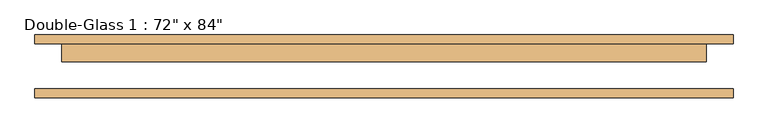
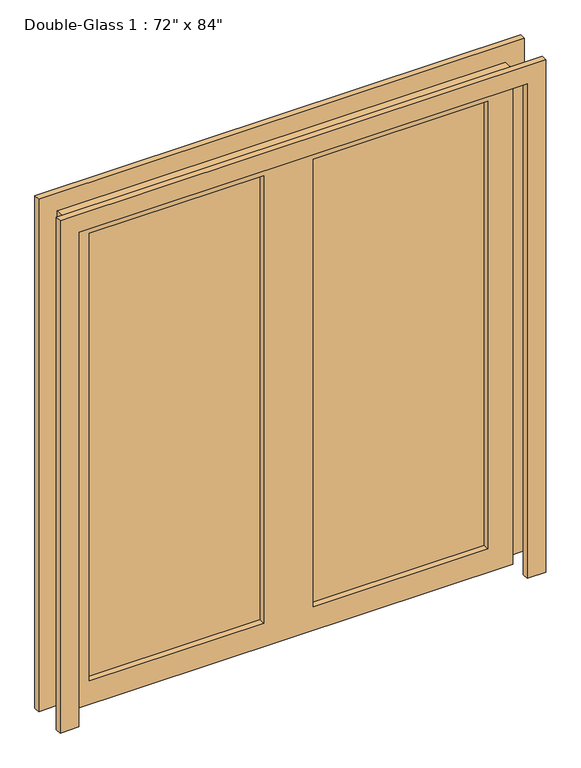
"""IFC4 building model written with IfcOpenShell, lengths in millimetres: door geometry."""

from ifc_helpers import new_model, si_unit, frame, origin, place, context, project, spatial, polyline, outline, extrude, source, transform, mapped, element, save


def door_c2b7a12f(model_context):
    return source(origin(), model_context, "Body", "SweptSolid", [
        extrude(outline(polyline([(0.0, 990.6), (2209.8, 990.6), (2209.8, -990.6), (0.0, -990.6), (0.0, -914.4), (2133.6, -914.4), (2133.6, 914.4), (0.0, 914.4), (0.0, 990.6)])), frame((0.0, -86.51875, 0.0), z_axis=(0.0, 1.0, 0.0), x_axis=(0.0, 0.0, 1.0)), (0.0, 0.0, 1.0), 25.4),
        extrude(outline(polyline([(2133.6, 914.4), (0.0, 914.4), (0.0, 990.6), (2209.8, 990.6), (2209.8, -990.6), (0.0, -990.6), (0.0, -914.4), (2133.6, -914.4), (2133.6, 914.4)])), frame((0.0, 65.88125, 0.0), z_axis=(0.0, 1.0, 0.0), x_axis=(0.0, 0.0, 1.0)), (0.0, 0.0, 1.0), 25.4),
        extrude(outline(polyline([(812.8, 40.48125), (101.6, 40.48125), (101.6, 47.625), (812.8, 47.625), (812.8, 40.48125)])), frame((0.0, 0.0, 101.6), z_axis=(0.0, 0.0, 1.0), x_axis=(1.0, 0.0, 0.0)), (0.0, 0.0, 1.0), 1930.4),
        extrude(outline(polyline([(-101.6, 40.48125), (-812.8, 40.48125), (-812.8, 47.625), (-101.6, 47.625), (-101.6, 40.48125)])), frame((0.0, 0.0, 101.6), z_axis=(0.0, 0.0, 1.0), x_axis=(1.0, 0.0, 0.0)), (0.0, 0.0, 1.0), 1930.4),
        extrude(outline(polyline([(2133.6, 914.4), (2133.6, -914.4), (0.0, -914.4), (0.0, 914.4), (2133.6, 914.4)]), holes=[polyline([(2032.0, -101.6), (101.6, -101.6), (101.6, -812.8), (2032.0, -812.8), (2032.0, -101.6)]), polyline([(2032.0, 812.8), (101.6, 812.8), (101.6, 101.6), (2032.0, 101.6), (2032.0, 812.8)])]), frame((0.0, 15.08125, 0.0), z_axis=(0.0, 1.0, 0.0), x_axis=(0.0, 0.0, 1.0)), (0.0, 0.0, 1.0), 50.8),
    ])


if __name__ == "__main__":
    model = new_model("IFC4")
    model_context = context("Model", 3, world=origin())
    ifc_project = project(units=[si_unit("LENGTHUNIT", "METRE", prefix="MILLI")], contexts=[model_context])
    site = spatial("IfcSite", under=ifc_project)
    building = spatial("IfcBuilding", under=site)
    placement = place(None, origin())
    door_shape = door_c2b7a12f(model_context)
    element("IfcDoor", 1, ObjectType="Double-Glass 1 : 72\" x 84\"", at=placement, inside=building, context=model_context, shape_type="MappedRepresentation", body=[
        mapped(door_shape, transform((0.0, 0.0, 0.0), x_axis=(1.0, 0.0, 0.0), y_axis=(0.0, 1.0, 0.0), z_axis=(0.0, 0.0, 1.0))),
    ])
    save(model, "model.ifc")
